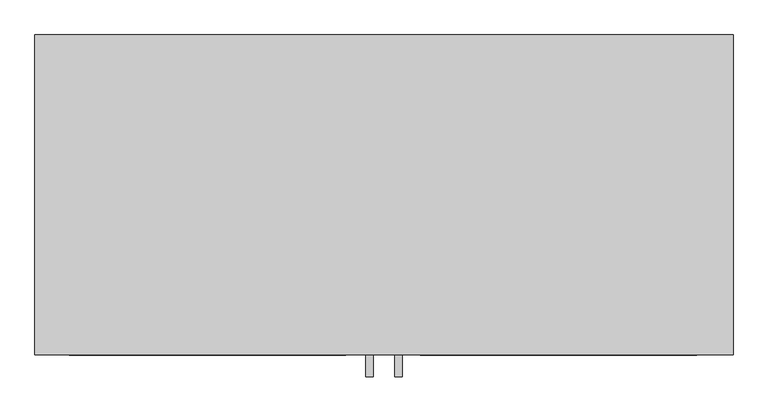
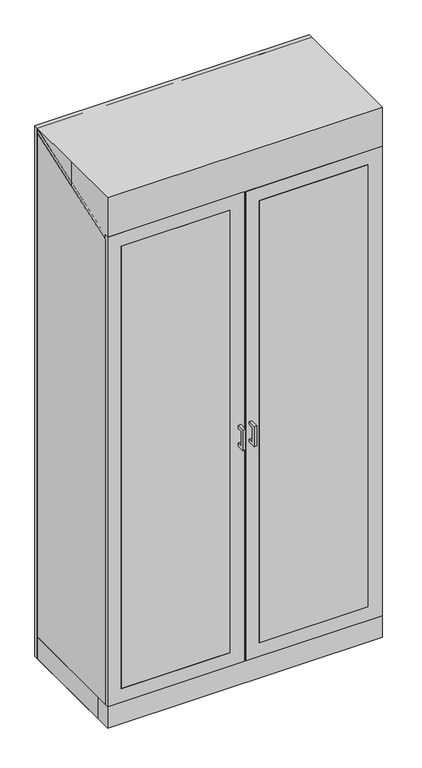
"""IFC4 building model written with IfcOpenShell, lengths in millimetres: proxy geometry."""

import ifcopenshell
import ifcopenshell.guid

model = None  # the IFC model being written
_history = None  # IfcOwnerHistory: only IFC2X3 demands one
_inside = {}  # id of a spatial element -> (the spatial element, [elements in it])
_under = {}  # id of a project, library or spatial element -> (it, [spatial elements below it])
_declared = {}  # id of a project -> (the project, [libraries it declares])
_typed = {}  # id of a type object -> (the type object, [elements of that type])
_made_of = {}  # id of a material, layer set ... -> (it, [elements and type objects made of it])


def new_model(schema):
    """Start an empty IFC model of exactly this schema.

    Asked for "IFC4X3", IfcOpenShell would pick the latest addendum, in which some entities
    have other attributes; the version numbers below select the first issue.
    IFC2X3 requires an IfcOwnerHistory on every rooted entity: one is made here for all.
    """
    global model, _history
    if schema == "IFC4X3":
        model = ifcopenshell.file(schema_version=(4, 3, 0, 0))
    else:
        model = ifcopenshell.file(schema=schema)
    _inside.clear()
    _under.clear()
    _declared.clear()
    _typed.clear()
    _made_of.clear()
    _history = None
    if model.schema == "IFC2X3":
        org = make("IfcOrganization", Name="unknown")
        user = make(
            "IfcPersonAndOrganization",
            ThePerson=make("IfcPerson", FamilyName="unknown"),
            TheOrganization=org,
        )
        app = make(
            "IfcApplication",
            ApplicationDeveloper=org,
            Version="unknown",
            ApplicationFullName="unknown",
            ApplicationIdentifier="unknown",
        )
        _history = make(
            "IfcOwnerHistory",
            OwningUser=user,
            OwningApplication=app,
            ChangeAction="ADDED",
            CreationDate=0,
        )
    return model


def make(cls, **values):
    """One entity of the class cls with the attributes given. An attribute that is None is left unset."""
    return model.create_entity(
        cls, **{name: value for name, value in values.items() if value is not None}
    )


def rooted(cls, **values):
    """An entity with a GlobalId (a new one), such as an element, a storey or a relation."""
    return make(cls, GlobalId=ifcopenshell.guid.new(), OwnerHistory=_history, **values)


def si_unit(unit_type, name, prefix=None):
    """IfcSIUnit, for example si_unit("LENGTHUNIT", "METRE", prefix="MILLI")."""
    return make("IfcSIUnit", UnitType=unit_type, Prefix=prefix, Name=name)


def assignment(units):
    """IfcUnitAssignment: the units of a project."""
    return None if units is None else make("IfcUnitAssignment", Units=units)


def point(xyz):
    """IfcCartesianPoint."""
    return None if xyz is None else make("IfcCartesianPoint", Coordinates=xyz)


def direction(xyz):
    """IfcDirection."""
    return None if xyz is None else make("IfcDirection", DirectionRatios=xyz)


def frame(location, z_axis=None, x_axis=None):
    """IfcAxis2Placement3D, a coordinate frame: its origin and axes. An axis left out is left unset."""
    return make(
        "IfcAxis2Placement3D",
        Location=point(location),
        Axis=direction(z_axis),
        RefDirection=direction(x_axis),
    )


def origin():
    """The frame at (0, 0, 0) with its axes left unset."""
    return frame((0.0, 0.0, 0.0))


def origin_with_axes():
    """The frame at (0, 0, 0) with the z axis (0, 0, 1) and the x axis (1, 0, 0) written out."""
    return frame((0.0, 0.0, 0.0), z_axis=(0.0, 0.0, 1.0), x_axis=(1.0, 0.0, 0.0))


def place(relative_to, where):
    """IfcLocalPlacement: puts the frame where relative to a parent placement (None: the world)."""
    return make(
        "IfcLocalPlacement", PlacementRelTo=relative_to, RelativePlacement=where
    )


def context(
    kind, dimensions, precision=None, world=None, true_north=None, identifier=None
):
    """IfcGeometricRepresentationContext, for example the 3D "Model" context."""
    return make(
        "IfcGeometricRepresentationContext",
        ContextIdentifier=identifier,
        ContextType=kind,
        CoordinateSpaceDimension=dimensions,
        Precision=precision,
        WorldCoordinateSystem=world,
        TrueNorth=true_north,
    )


def project(units=None, contexts=None):
    """IfcProject with its units and contexts."""
    return rooted(
        "IfcProject",
        Name="project",
        RepresentationContexts=contexts,
        UnitsInContext=assignment(units),
    )


def spatial(cls, under=None, at=None, **own):
    """A site, building, storey or space (cls), placed at a placement, below another one or the project."""
    s = rooted(cls, ObjectPlacement=at, **own)
    if under is not None:
        _under.setdefault(under.id(), (under, []))[1].append(s)
    return s


def polyline(points):
    """IfcPolyline through the points."""
    return make("IfcPolyline", Points=[point(p) for p in points])


def outline(outer, holes=None, kind="AREA"):
    """IfcArbitraryClosedProfileDef: a profile drawn as a closed curve; with holes, ...WithVoids."""
    if holes is None:
        return make("IfcArbitraryClosedProfileDef", ProfileType=kind, OuterCurve=outer)
    return make(
        "IfcArbitraryProfileDefWithVoids",
        ProfileType=kind,
        OuterCurve=outer,
        InnerCurves=holes,
    )


def extrude(swept, where, along, depth):
    """IfcExtrudedAreaSolid: the profile swept, set in the frame where, extruded along a direction by depth."""
    return make(
        "IfcExtrudedAreaSolid",
        SweptArea=swept,
        Position=where,
        ExtrudedDirection=direction(along),
        Depth=depth,
    )


def faces_of(points, faces, orient=None, outer=None):
    """IfcFace entities. A face is a list of loops; a loop is a list of indices into points, from 0.

    orient and outer hold one flag for each loop. By default every Orientation is true, the
    first loop of a face is its IfcFaceOuterBound and the others are IfcFaceBound.
    """
    made = []
    for i, loops in enumerate(faces):
        bounds = []
        for j, loop in enumerate(loops):
            is_outer = j == 0 if outer is None else outer[i][j]
            bounds.append(
                make(
                    "IfcFaceOuterBound" if is_outer else "IfcFaceBound",
                    Bound=make("IfcPolyLoop", Polygon=[points[k] for k in loop]),
                    Orientation=True if orient is None else orient[i][j],
                )
            )
        made.append(make("IfcFace", Bounds=bounds))
    return made


def faceted_brep(points, faces, orient=None, outer=None, voids=None):
    """IfcFacetedBrep: a solid bounded by flat faces; with voids (closed shells), ...WithVoids."""
    shared = [point(p) for p in points]
    hull = make("IfcClosedShell", CfsFaces=faces_of(shared, faces, orient, outer))
    if voids is None:
        return make("IfcFacetedBrep", Outer=hull)
    return make(
        "IfcFacetedBrepWithVoids",
        Outer=hull,
        Voids=[
            make(cls, CfsFaces=faces_of(shared, fs, o, b)) for cls, fs, o, b in voids
        ],
    )


def shape(context_of_items, identifier, shape_type, items):
    """IfcShapeRepresentation: the items that make up one representation, for example the "Body"."""
    return make(
        "IfcShapeRepresentation",
        ContextOfItems=context_of_items,
        RepresentationIdentifier=identifier,
        RepresentationType=shape_type,
        Items=items,
    )


def source(mapping_origin, context_of_items, identifier, shape_type, items):
    """IfcRepresentationMap: a shape defined once, which mapped items show again and again."""
    return make(
        "IfcRepresentationMap",
        MappingOrigin=mapping_origin,
        MappedRepresentation=shape(context_of_items, identifier, shape_type, items),
    )


def transform(
    local_origin,
    x_axis=None,
    y_axis=None,
    z_axis=None,
    scale=None,
    scale2=None,
    scale3=None,
    uniform=True,
):
    """IfcCartesianTransformationOperator3D, or its non-uniform kind. x_axis, y_axis, z_axis: its Axis1, 2, 3."""
    if uniform:
        return make(
            "IfcCartesianTransformationOperator3D",
            Axis1=direction(x_axis),
            Axis2=direction(y_axis),
            LocalOrigin=point(local_origin),
            Scale=scale,
            Axis3=direction(z_axis),
        )
    return make(
        "IfcCartesianTransformationOperator3DnonUniform",
        Axis1=direction(x_axis),
        Axis2=direction(y_axis),
        LocalOrigin=point(local_origin),
        Scale=scale,
        Axis3=direction(z_axis),
        Scale2=scale2,
        Scale3=scale3,
    )


def mapped(mapping_source, mapping_target):
    """IfcMappedItem: shows the shape of a source again, moved by a transform."""
    return make(
        "IfcMappedItem", MappingSource=mapping_source, MappingTarget=mapping_target
    )


def made_of(thing, what):
    """Note that an element or type object is made of a material, layer set ...; save() writes the relation."""
    if what is not None:
        _made_of.setdefault(what.id(), (what, []))[1].append(thing)
    return thing


def element(
    cls,
    number,
    at=None,
    inside=None,
    cuts=None,
    type_object=None,
    material=None,
    context=None,
    identifier="Body",
    shape_type=None,
    held_by="IfcProductDefinitionShape",
    body=None,
    shapes=None,
    **own,
):
    """One element of the class cls, such as IfcWall. Its Tag is "e" and its number.

    at: its placement. inside: the storey or other place that contains it. cuts: it is an
    opening in that element (IfcRelVoidsElement). A single representation is given by context,
    identifier, shape_type and body (its items); several are given by shapes. held_by: the class
    of the entity that holds the representations. save() writes the other relations.
    """
    e = rooted(cls, Tag="e%d" % number, ObjectPlacement=at, **own)
    if body is not None:
        shapes = [shape(context, identifier, shape_type, body)]
    if shapes is not None:
        e.Representation = make(held_by, Representations=shapes)
    if inside is not None:
        _inside.setdefault(inside.id(), (inside, []))[1].append(e)
    if cuts is not None:
        rooted(
            "IfcRelVoidsElement", RelatingBuildingElement=cuts, RelatedOpeningElement=e
        )
    if type_object is not None:
        _typed.setdefault(type_object.id(), (type_object, []))[1].append(e)
    return made_of(e, material)


def aggregate(whole, parts):
    """IfcRelAggregates: a whole, such as a stair, and the parts it consists of."""
    return rooted("IfcRelAggregates", RelatingObject=whole, RelatedObjects=parts)


def save(model, path):
    """Write the relations noted so far, then the file.

    IfcRelAggregates (storeys below a building ...), IfcRelContainedInSpatialStructure (elements
    in a storey), IfcRelDefinesByType, IfcRelAssociatesMaterial and IfcRelDeclares: one each for
    every whole, place, type object, material and project.
    """
    for whole, parts in _under.values():
        aggregate(whole, parts)
    for where, things in _inside.values():
        rooted(
            "IfcRelContainedInSpatialStructure",
            RelatedElements=things,
            RelatingStructure=where,
        )
    for kind, things in _typed.values():
        rooted("IfcRelDefinesByType", RelatedObjects=things, RelatingType=kind)
    for what, things in _made_of.values():
        rooted("IfcRelAssociatesMaterial", RelatedObjects=things, RelatingMaterial=what)
    for by, libraries in _declared.values():
        rooted("IfcRelDeclares", RelatingContext=by, RelatedDefinitions=libraries)
    model.write(path)


def specialty_equipment_dec7bf78(model_context):
    return source(origin(), model_context, "Body", "SolidModel", [
        extrude(outline(polyline([(260.35, 2467.9014525), (260.35, 101.6), (-260.35, 101.6), (-260.35, 2283.7514525), (260.35, 2467.9014525)])), frame((-609.6, 0.0, 0.0), z_axis=(1.0, 0.0, 0.0), x_axis=(0.0, 1.0, 0.0)), (0.0, 0.0, 1.0), 19.05),
        extrude(outline(polyline([(-590.55, 260.35), (-590.55, -203.2), (-609.6, -203.2), (-609.6, 260.35), (-590.55, 260.35)])), origin_with_axes(), (0.0, 0.0, 1.0), 101.6),
        extrude(outline(polyline([(609.6, 260.35), (609.6, -203.2), (590.55, -203.2), (590.55, 260.35), (609.6, 260.35)])), origin_with_axes(), (0.0, 0.0, 1.0), 101.6),
        extrude(outline(polyline([(260.35, 2467.9014525), (260.35, 101.6), (-260.35, 101.6), (-260.35, 2283.7514525), (260.35, 2467.9014525)])), frame((590.55, 0.0, 0.0), z_axis=(1.0, 0.0, 0.0), x_axis=(0.0, 1.0, 0.0)), (0.0, 0.0, 1.0), 19.05),
        extrude(outline(polyline([(546.1, -279.4), (63.5, -279.4), (63.5, -273.05), (546.1, -273.05), (546.1, -279.4)])), frame((0.0, 0.0, 165.1), z_axis=(0.0, 0.0, 1.0), x_axis=(1.0, 0.0, 0.0)), (0.0, 0.0, 1.0), 2076.45),
        extrude(outline(polyline([(-66.675, -279.4), (-549.275, -279.4), (-549.275, -273.05), (-66.675, -273.05), (-66.675, -279.4)])), frame((0.0, 0.0, 165.1), z_axis=(0.0, 0.0, 1.0), x_axis=(1.0, 0.0, 0.0)), (0.0, 0.0, 1.0), 2076.45),
        extrude(outline(polyline([(2305.05, -3.175), (2305.05, -609.6), (101.6, -609.6), (101.6, -3.175), (2305.05, -3.175)]), holes=[polyline([(2241.55, -66.675), (165.1, -66.675), (165.1, -549.275), (2241.55, -549.275), (2241.55, -66.675)])]), frame((0.0, -279.4, 0.0), z_axis=(0.0, 1.0, 0.0), x_axis=(0.0, 0.0, 1.0)), (0.0, 0.0, 1.0), 19.05),
        extrude(outline(polyline([(2305.05, 609.6), (2305.05, 3.175), (101.6, 3.175), (101.6, 609.6), (2305.05, 609.6)]), holes=[polyline([(2241.55, 546.1), (165.1, 546.1), (165.1, 63.5), (2241.55, 63.5), (2241.55, 546.1)])]), frame((0.0, -279.4, 0.0), z_axis=(0.0, 1.0, 0.0), x_axis=(0.0, 0.0, 1.0)), (0.0, 0.0, 1.0), 19.05),
        extrude(outline(polyline([(-317.4716405, 1219.2), (-279.3905468, 1219.2), (-279.3905468, 1206.5303499), (-304.8019905, 1206.5303499), (-304.8019905, 1136.6574627), (-279.3905468, 1136.6574627), (-279.3905468, 1123.9878126), (-317.4716405, 1123.9878126), (-317.4716405, 1219.2)])), frame((19.1988281, 0.0, 0.0), z_axis=(1.0, 0.0, 0.0), x_axis=(0.0, 1.0, 0.0)), (0.0, 0.0, 1.0), 12.4023438),
        extrude(outline(polyline([(590.55, -260.35), (-590.55, -260.35), (-590.55, 260.35), (590.55, 260.35), (590.55, -260.35)])), frame((0.0, 0.0, 1524.0), z_axis=(0.0, 0.0, 1.0), x_axis=(1.0, 0.0, 0.0)), (0.0, 0.0, 1.0), 25.4),
        extrude(outline(polyline([(590.55, -260.35), (-590.55, -260.35), (-590.55, 260.35), (590.55, 260.35), (590.55, -260.35)])), frame((0.0, 0.0, 1930.4), z_axis=(0.0, 0.0, 1.0), x_axis=(1.0, 0.0, 0.0)), (0.0, 0.0, 1.0), 25.4),
        extrude(outline(polyline([(590.55, -260.35), (-590.55, -260.35), (-590.55, 260.35), (590.55, 260.35), (590.55, -260.35)])), frame((0.0, 0.0, 1168.4), z_axis=(0.0, 0.0, 1.0), x_axis=(1.0, 0.0, 0.0)), (0.0, 0.0, 1.0), 25.4),
        extrude(outline(polyline([(590.55, -260.35), (-590.55, -260.35), (-590.55, 260.35), (590.55, 260.35), (590.55, -260.35)])), frame((0.0, 0.0, 800.1), z_axis=(0.0, 0.0, 1.0), x_axis=(1.0, 0.0, 0.0)), (0.0, 0.0, 1.0), 25.4),
        extrude(outline(polyline([(590.55, -260.35), (-590.55, -260.35), (-590.55, 260.35), (590.55, 260.35), (590.55, -260.35)])), frame((0.0, 0.0, 469.9), z_axis=(0.0, 0.0, 1.0), x_axis=(1.0, 0.0, 0.0)), (0.0, 0.0, 1.0), 25.4),
        faceted_brep([(-609.6, 279.4, 2489.2), (-609.6, 0.0, 2489.2), (-609.6, -279.4, 2489.2), (609.6, -279.4, 2489.2), (609.6, 279.4, 2489.2), (-609.6, 279.4, 0.0), (609.6, 279.4, 0.0), (609.6, -279.4, 0.0), (-609.6, -279.4, 0.0), (-609.6, 0.0, 0.0), (546.1, -279.4, 2241.55), (546.1, -279.4, 165.1), (63.5, -279.4, 165.1), (63.5, -279.4, 2241.55), (-66.675, -279.4, 2241.55), (-66.675, -279.4, 165.1), (-549.275, -279.4, 165.1), (-549.275, -279.4, 2241.55), (546.1, -260.35, 2241.55), (546.1, -260.35, 165.1), (63.5, -260.35, 165.1), (63.5, -260.35, 2241.55), (-66.675, -260.35, 2241.55), (-66.675, -260.35, 165.1), (-549.275, -260.35, 165.1), (-549.275, -260.35, 2241.55)], [[[0, 1, 2, 3, 4]], [[5, 6, 7, 8, 9]], [[1, 0, 5, 9]], [[2, 1, 9, 8]], [[3, 2, 8, 7], [10, 11, 12, 13], [14, 15, 16, 17]], [[4, 3, 7, 6]], [[0, 4, 6, 5]], [[10, 18, 19, 11]], [[12, 20, 21, 13]], [[11, 19, 20, 12]], [[19, 18, 21, 20]], [[18, 10, 13, 21]], [[14, 22, 23, 15]], [[16, 24, 25, 17]], [[15, 23, 24, 16]], [[23, 22, 25, 24]], [[22, 14, 17, 25]]]),
        extrude(outline(polyline([(-317.4716405, 1219.2), (-279.3905468, 1219.2), (-279.3905468, 1206.5303499), (-304.8019905, 1206.5303499), (-304.8019905, 1136.6574627), (-279.3905468, 1136.6574627), (-279.3905468, 1123.9878126), (-317.4716405, 1123.9878126), (-317.4716405, 1219.2)])), frame((-31.6011719, 0.0, 0.0), z_axis=(1.0, 0.0, 0.0), x_axis=(0.0, 1.0, 0.0)), (0.0, 0.0, 1.0), 12.4023438),
        extrude(outline(polyline([(609.6, 260.35), (-609.6, 260.35), (-609.6, 279.4), (609.6, 279.4), (609.6, 260.35)])), origin_with_axes(), (0.0, 0.0, 1.0), 2489.2),
        extrude(outline(polyline([(-260.35, 2305.05), (260.35, 2489.2), (260.35, 2467.9014525), (-260.35, 2283.7514525), (-260.35, 2305.05)])), frame((-609.6, 0.0, 0.0), z_axis=(1.0, 0.0, 0.0), x_axis=(0.0, 1.0, 0.0)), (0.0, 0.0, 1.0), 1219.2),
        extrude(outline(polyline([(590.55, -260.35), (-590.55, -260.35), (-590.55, 260.35), (590.55, 260.35), (590.55, -260.35)])), frame((0.0, 0.0, 101.6), z_axis=(0.0, 0.0, 1.0), x_axis=(1.0, 0.0, 0.0)), (0.0, 0.0, 1.0), 25.4),
        extrude(outline(polyline([(609.6, -184.15), (609.6, -203.2), (-609.6, -203.2), (-609.6, -184.15), (609.6, -184.15)])), origin_with_axes(), (0.0, 0.0, 1.0), 101.6),
    ])


if __name__ == "__main__":
    model = new_model("IFC4")
    model_context = context("Model", 3, world=origin())
    ifc_project = project(units=[si_unit("LENGTHUNIT", "METRE", prefix="MILLI")], contexts=[model_context])
    site = spatial("IfcSite", under=ifc_project)
    building = spatial("IfcBuilding", under=site)
    placement = place(None, origin())
    specialty_equipment_shape = specialty_equipment_dec7bf78(model_context)
    element("IfcBuildingElementProxy", 1, Name="Specialty Equipment", at=placement, inside=building, context=model_context, shape_type="MappedRepresentation", body=[
        mapped(specialty_equipment_shape, transform((0.0, 0.0, 0.0), x_axis=(1.0, 0.0, 0.0), y_axis=(0.0, 1.0, 0.0), z_axis=(0.0, 0.0, 1.0))),
    ])
    save(model, "model.ifc")
